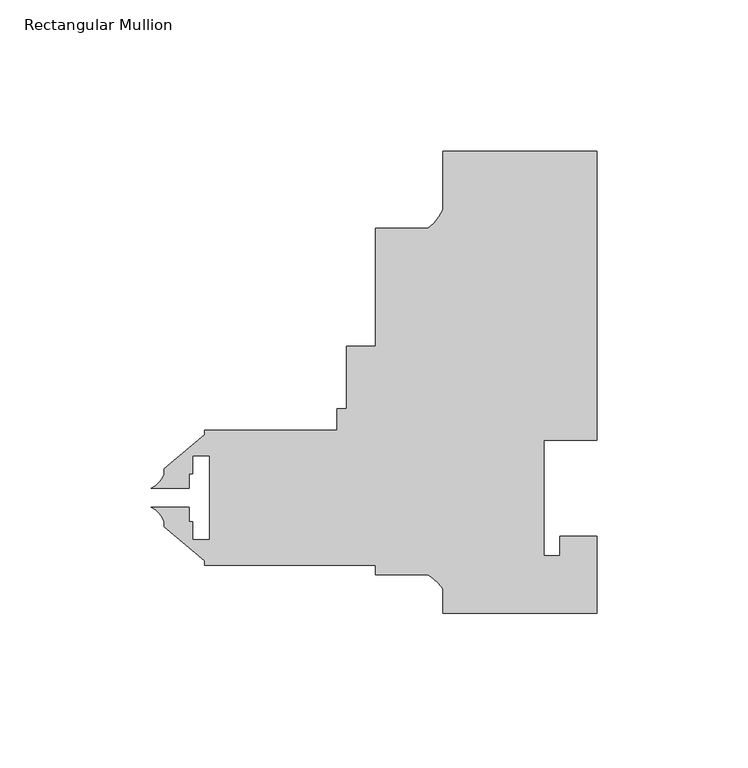
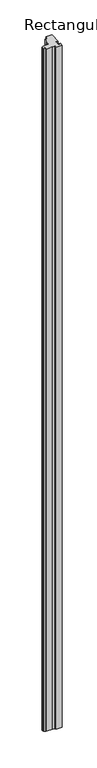
"""IFC4 building model written with IfcOpenShell, lengths in millimetres: member geometry, Rectangular Mullion."""

from ifc_helpers import new_model, si_unit, point, frame, frame_2d, origin, place, context, project, spatial, polyline, circle_curve, trimmed, segment, composite_curve, outline, extrude, source, transform, mapped, element, save


def rectangular_mullion_7bcd7c61(model_context):
    return source(origin(), model_context, "Body", "SweptSolid", [
        extrude(outline(composite_curve([segment(polyline([(-25.4, 152.4), (25.4, 152.4), (25.4, 57.15), (7.9502, 57.15), (7.9502, 19.05), (13.2079898, 19.05), (13.2079898, 25.4), (25.3999898, 25.4), (25.3999898, 0.0), (-25.4000102, 0.0), (-25.4000102, 8.1515407)]), True, "CONTINUOUS"), segment(trimmed(circle_curve(frame_2d((-37.3094465, 0.1243368)), 14.3621265), [point((-25.4000102, 8.1515407))], [point((-30.3723453, 12.7))], True, "CARTESIAN"), True, "CONTINUOUS"), segment(polyline([(-30.3723453, 12.7), (-47.625, 12.7), (-47.625, 15.875), (-103.98125, 15.875), (-103.98125, 17.2691667), (-117.44325, 28.565126), (-117.44325, 30.2532603)]), True, "CONTINUOUS"), segment(trimmed(circle_curve(frame_2d((-124.8192524, 27.8631039)), 7.7535965), [point((-117.44325, 30.2532603))], [point((-121.6410584, 34.9353979))], True, "CARTESIAN"), True, "CONTINUOUS"), segment(polyline([(-121.6410584, 34.9353979), (-109.14848, 34.9353979), (-109.14848, 30.17266), (-108.01985, 30.17266), (-108.01985, 24.20366), (-102.40645, 24.20366), (-102.40645, 51.99126), (-108.01985, 51.99126), (-108.01985, 46.02226), (-109.14848, 46.02226), (-109.14848, 41.2595155), (-121.6410731, 41.2595155)]), True, "CONTINUOUS"), segment(trimmed(circle_curve(frame_2d((-124.8192524, 48.3318161)), 7.7535965), [point((-121.6410731, 41.2595155))], [point((-117.44325, 45.9416597))], True, "CARTESIAN"), True, "CONTINUOUS"), segment(polyline([(-117.44325, 45.9416597), (-117.44325, 47.629794), (-103.98125, 58.9257533), (-103.98125, 60.325), (-60.3274573, 60.325), (-60.3274573, 67.537255), (-57.1524573, 67.537255), (-57.1524573, 88.162055), (-47.625, 88.162055), (-47.625, 127.0), (-30.2934851, 127.0)]), True, "CONTINUOUS"), segment(trimmed(circle_curve(frame_2d((-39.5144624, 139.281361)), 15.3576772), [point((-30.2934851, 127.0))], [point((-25.4, 133.228246))], True, "CARTESIAN"), True, "CONTINUOUS"), segment(polyline([(-25.4, 133.228246), (-25.4, 152.4)]), True, "CONTINUOUS")], self_intersect=False)), frame((0.0, 0.0, -6185.9401544), z_axis=(0.0, 0.0, 1.0), x_axis=(1.0, 0.0, 0.0)), (0.0, 0.0, 1.0), 6185.9401544),
    ])


if __name__ == "__main__":
    model = new_model("IFC4")
    model_context = context("Model", 3, world=origin())
    ifc_project = project(units=[si_unit("LENGTHUNIT", "METRE", prefix="MILLI")], contexts=[model_context])
    site = spatial("IfcSite", under=ifc_project)
    building = spatial("IfcBuilding", under=site)
    placement = place(None, origin())
    rectangular_mullion_shape = rectangular_mullion_7bcd7c61(model_context)
    element("IfcMember", 1, ObjectType="Rectangular Mullion", at=placement, inside=building, context=model_context, shape_type="MappedRepresentation", body=[
        mapped(rectangular_mullion_shape, transform((0.0, 0.0, 0.0), x_axis=(1.0, 0.0, 0.0), y_axis=(0.0, 1.0, 0.0), z_axis=(0.0, 0.0, 1.0))),
    ])
    save(model, "model.ifc")
